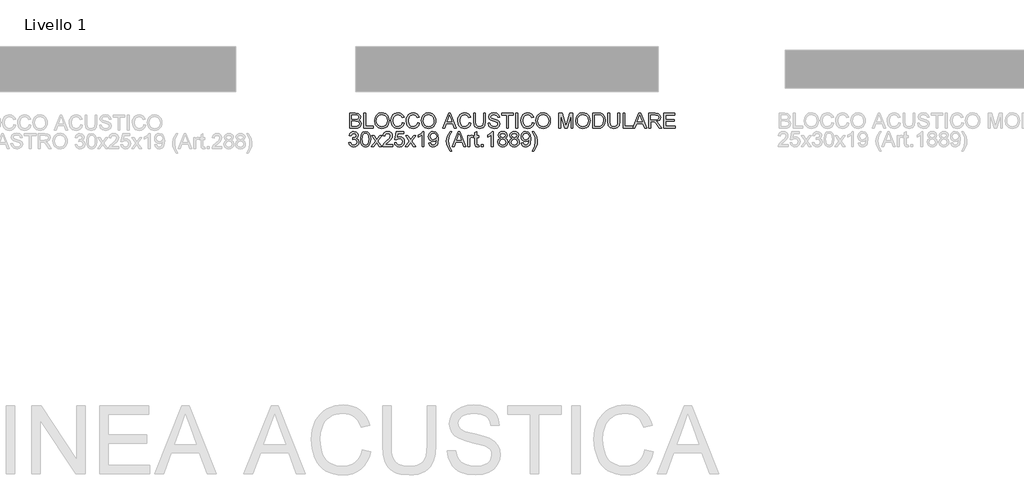
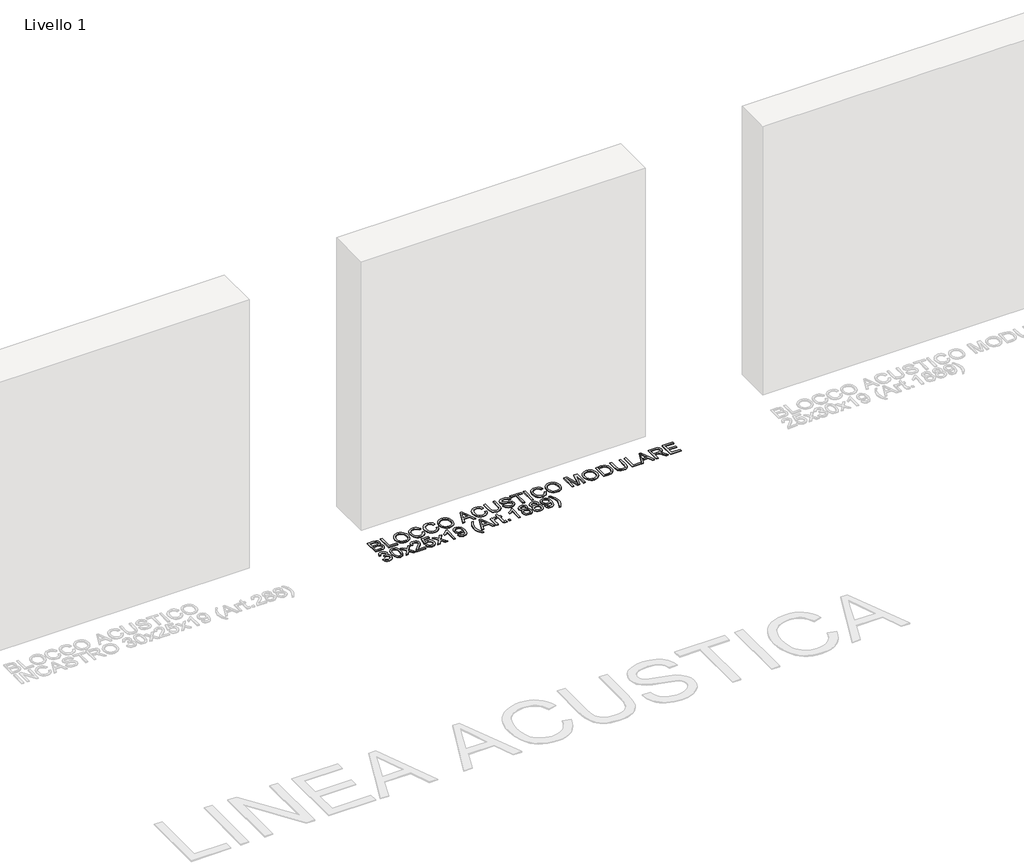
# One storey, part 3 of 4: 1 proxy.
"""IFC4 building model written with IfcOpenShell, lengths in millimetres."""

from ifc_helpers import new_model, si_unit, origin, origin_with_axes, place, context, project, spatial, polyline, outline, extrude, element, save

model = new_model("IFC4")

# Units and contexts
model_context = context("Model", 3, world=origin())
ifc_project = project(units=[si_unit("LENGTHUNIT", "METRE", prefix="MILLI")], contexts=[model_context])

# Site, building, storey
site = spatial("IfcSite", under=ifc_project)
building = spatial("IfcBuilding", under=site)
storey = spatial("IfcBuildingStorey", under=building, Name="Livello 1", Elevation=0.0)

# Proxy
placement = place(None, origin())
element("IfcBuildingElementProxy", 1, Name="100", ObjectType="100", at=placement, inside=storey, context=model_context, shape_type="SweptSolid", body=[
    extrude(outline(polyline([(-512.2779932, 327.9691658), (-512.2779932, 428.4254759), (-473.9446893, 428.4254759), (-455.1704448, 425.4701572), (-444.084934, 416.3834719), (-440.0750203, 403.5321276), (-443.4472719, 391.7966919), (-453.6376032, 382.9062104), (-441.2645054, 373.5374822), (-436.9357606, 357.9147602), (-439.8910793, 344.4134909), (-447.211931, 334.7995081), (-458.1380263, 329.6982111), (-474.2389949, 327.9691658), (-512.2779932, 327.9691658)]), holes=[polyline([(-499.7209544, 340.5262045), (-473.9692148, 340.5262045), (-464.6495376, 341.0167139), (-456.7646001, 343.7513034), (-451.5406758, 349.3308469), (-449.4927994, 357.7921328), (-451.8962951, 367.5532684), (-459.6831306, 373.3780667), (-475.1954881, 375.0580611), (-499.7209544, 375.0580611), (-499.7209544, 340.5262045)]), polyline([(-499.7209544, 387.6150999), (-476.7896434, 387.6150999), (-463.3987388, 388.6942204), (-455.3421231, 393.3417963), (-452.6320591, 401.5210393), (-455.1581821, 409.7125451), (-462.3931947, 414.5563247), (-478.5309515, 415.8684371), (-499.7209544, 415.8684371), (-499.7209544, 387.6150999)])]), origin_with_axes(), (0.0, 0.0, 1.0), 5.0),
    extrude(outline(polyline([(-419.6698323, 327.9691658), (-419.6698323, 428.4254759), (-407.1127935, 428.4254759), (-407.1127935, 340.5262045), (-356.8846384, 340.5262045), (-356.8846384, 327.9691658), (-419.6698323, 327.9691658)])), origin_with_axes(), (0.0, 0.0, 1.0), 5.0),
    extrude(outline(polyline([(-347.4668594, 376.8729457), (-344.1191332, 399.0868868), (-334.0759547, 415.8929626), (-318.7414069, 426.46957), (-299.5195727, 429.9951058), (-286.3432659, 428.3396368), (-274.5281225, 423.3732298), (-264.7179359, 415.4453728), (-257.5564998, 404.9055537), (-253.178704, 392.2626758), (-251.7194388, 378.0256426), (-253.2553461, 363.598537), (-257.8630681, 350.7778495), (-265.288153, 340.2196362), (-275.2761492, 332.5799534), (-286.990125, 327.9446403), (-299.5931491, 326.3995359), (-312.971791, 328.1071215), (-324.8543794, 333.2298783), (-334.6400405, 341.3048881), (-341.7279002, 351.8692327), (-347.4668594, 376.8729457)]), holes=[polyline([(-334.9098206, 376.7503183), (-332.399026, 361.0356258), (-324.8666421, 349.0610668), (-313.5450737, 341.4826977), (-299.6667255, 338.9565747), (-285.5860421, 341.5072232), (-274.2460796, 349.1591687), (-266.768878, 361.5016096), (-264.2764775, 378.1237444), (-268.5439087, 398.8477635), (-281.0151083, 412.5697619), (-299.4459963, 417.438067), (-312.9533969, 415.0928193), (-324.4374465, 408.0570761), (-332.2917271, 395.5398912), (-334.9098206, 376.7503183)])]), origin_with_axes(), (0.0, 0.0, 1.0), 5.0),
    extrude(outline(polyline([(-163.8201674, 363.6782448), (-151.2631286, 360.4408832), (-157.05727, 345.8083768), (-166.1500867, 335.1183392), (-178.0939888, 328.5792367), (-192.4413866, 326.3995359), (-207.0064479, 328.0488735), (-218.573271, 332.9968864), (-227.4392271, 341.0718962), (-233.9016875, 352.1022246), (-239.1624, 378.9576103), (-237.6755436, 393.6054451), (-233.2149744, 406.2544543), (-226.0136843, 416.5030336), (-216.3046654, 423.9495783), (-204.7899589, 428.4837239), (-192.1716065, 429.9951058), (-178.4036228, 428.0391998), (-167.0207407, 422.171482), (-158.3785795, 412.7537029), (-152.8327585, 400.1476132), (-165.3897972, 397.1555063), (-175.6904931, 412.5942874), (-192.6621158, 417.438067), (-212.3070143, 412.0669899), (-223.4047879, 397.6460156), (-226.6053612, 378.9821358), (-222.8161767, 357.3506744), (-211.0194274, 343.5305742), (-193.6921854, 338.9565747), (-183.2106142, 340.5139418), (-174.4764825, 345.1860431), (-167.8821977, 352.9238278), (-163.8201674, 363.6782448)])), origin_with_axes(), (0.0, 0.0, 1.0), 5.0),
    extrude(outline(polyline([(-63.3638572, 363.6782448), (-50.8068185, 360.4408832), (-56.6009599, 345.8083768), (-65.6937765, 335.1183392), (-77.6376786, 328.5792367), (-91.9850765, 326.3995359), (-106.5501378, 328.0488735), (-118.1169608, 332.9968864), (-126.9829169, 341.0718962), (-133.4453773, 352.1022246), (-138.7060898, 378.9576103), (-137.2192334, 393.6054451), (-132.7586643, 406.2544543), (-125.5573742, 416.5030336), (-115.8483552, 423.9495783), (-104.3336488, 428.4837239), (-91.7152963, 429.9951058), (-77.9473127, 428.0391998), (-66.5644306, 422.171482), (-57.9222694, 412.7537029), (-52.3764483, 400.1476132), (-64.9334871, 397.1555063), (-75.2341829, 412.5942874), (-92.2058057, 417.438067), (-111.8507042, 412.0669899), (-122.9484777, 397.6460156), (-126.1490511, 378.9821358), (-122.3598665, 357.3506744), (-110.5631172, 343.5305742), (-93.2358752, 338.9565747), (-82.7543041, 340.5139418), (-74.0201724, 345.1860431), (-67.4258876, 352.9238278), (-63.3638572, 363.6782448)])), origin_with_axes(), (0.0, 0.0, 1.0), 5.0),
    extrude(outline(polyline([(-38.2497797, 376.8729457), (-34.9020535, 399.0868868), (-24.8588751, 415.8929626), (-9.5243272, 426.46957), (9.697507, 429.9951058), (22.8738138, 428.3396368), (34.6889572, 423.3732298), (44.4991438, 415.4453728), (51.6605799, 404.9055537), (56.0383757, 392.2626758), (57.4976409, 378.0256426), (55.9617336, 363.598537), (51.3540116, 350.7778495), (43.9289267, 340.2196362), (33.9409305, 332.5799534), (22.2269546, 327.9446403), (9.6239306, 326.3995359), (-3.7547113, 328.1071215), (-15.6372997, 333.2298783), (-25.4229608, 341.3048881), (-32.5108206, 351.8692327), (-38.2497797, 376.8729457)]), holes=[polyline([(-25.6927409, 376.7503183), (-23.1819463, 361.0356258), (-15.6495625, 349.0610668), (-4.3279941, 341.4826977), (9.5503542, 338.9565747), (23.6310376, 341.5072232), (34.9710001, 349.1591687), (42.4482016, 361.5016096), (44.9406022, 378.1237444), (40.673171, 398.8477635), (28.2019714, 412.5697619), (9.7710834, 417.438067), (-3.7363172, 415.0928193), (-15.2203668, 408.0570761), (-23.0746474, 395.5398912), (-25.6927409, 376.7503183)])]), origin_with_axes(), (0.0, 0.0, 1.0), 5.0),
    extrude(outline(polyline([(102.3056679, 327.9691658), (142.4048054, 428.4254759), (153.0979087, 428.4254759), (193.1970462, 327.9691658), (179.9287689, 327.9691658), (168.4263252, 359.3617627), (127.0518635, 359.3617627), (115.5739452, 327.9691658), (102.3056679, 327.9691658)]), holes=[polyline([(131.6626511, 371.9188015), (163.840063, 371.9188015), (154.7901659, 396.6159461), (147.7513571, 415.8684371), (141.4973632, 398.7741871), (131.6626511, 371.9188015)])]), origin_with_axes(), (0.0, 0.0, 1.0), 5.0),
    extrude(outline(polyline([(277.2458194, 363.6782448), (289.8028581, 360.4408832), (284.0087167, 345.8083768), (274.9159001, 335.1183392), (262.971998, 328.5792367), (248.6246001, 326.3995359), (234.0595388, 328.0488735), (222.4927158, 332.9968864), (213.6267597, 341.0718962), (207.1642993, 352.1022246), (201.9035868, 378.9576103), (203.3904432, 393.6054451), (207.8510123, 406.2544543), (215.0523024, 416.5030336), (224.7613214, 423.9495783), (236.2760278, 428.4837239), (248.8943803, 429.9951058), (262.6623639, 428.0391998), (274.045246, 422.171482), (282.6874072, 412.7537029), (288.2332283, 400.1476132), (275.6761895, 397.1555063), (265.3754937, 412.5942874), (248.4038709, 417.438067), (228.7589724, 412.0669899), (217.6611989, 397.6460156), (214.4606255, 378.9821358), (218.2498101, 357.3506744), (230.0465594, 343.5305742), (247.3738014, 338.9565747), (257.8553725, 340.5139418), (266.5895042, 345.1860431), (273.183789, 352.9238278), (277.2458194, 363.6782448)])), origin_with_axes(), (0.0, 0.0, 1.0), 5.0),
    extrude(outline(polyline([(372.99324, 428.4254759), (385.5502788, 428.4254759), (385.5502788, 370.4717989), (382.1412389, 346.4491047), (369.8539803, 331.9790795), (359.5900726, 327.7944218), (346.5547873, 326.3995359), (323.6112135, 331.2555783), (315.9715307, 337.1999382), (310.8824965, 345.3209332), (307.0687864, 370.4717989), (307.0687864, 428.4254759), (319.6258252, 428.4254759), (319.6258252, 370.9132573), (322.1028973, 351.7711308), (330.6132341, 342.2920381), (345.3775649, 338.9565747), (358.1492015, 340.6059123), (366.6411442, 345.5539251), (371.405216, 355.1924334), (372.99324, 370.9132573), (372.99324, 428.4254759)])), origin_with_axes(), (0.0, 0.0, 1.0), 5.0),
    extrude(outline(polyline([(402.8162071, 362.5010224), (415.3732458, 362.5010224), (419.4199478, 349.9317209), (429.3037107, 341.9854698), (444.362347, 338.9565747), (457.4834715, 341.2497058), (465.9570202, 347.5527506), (468.7406606, 355.9772483), (466.655996, 363.8131348), (458.1211337, 369.5153057), (439.8373985, 374.3100344), (420.1557118, 380.5027147), (409.4748712, 389.8469173), (405.9554668, 402.3303797), (410.308737, 416.5428875), (423.0251913, 426.5738032), (441.6400203, 429.9951058), (461.505648, 426.4143877), (474.7493998, 415.8929626), (479.7280695, 400.1721387), (467.1710307, 400.1721387), (464.8656369, 407.6646686), (460.0586455, 413.072534), (442.1305296, 417.438067), (424.1533628, 413.1215849), (418.5125055, 402.6982617), (422.5101565, 393.9917212), (443.0134464, 386.9774378), (465.2335189, 380.6743929), (477.3858875, 370.4963244), (481.2976994, 356.2960794), (476.7972763, 341.2742313), (463.8478301, 330.3113478), (444.8528564, 326.3995359), (422.4243174, 330.6179161), (408.2363351, 343.3221077), (402.8162071, 362.5010224)])), origin_with_axes(), (0.0, 0.0, 1.0), 5.0),
    extrude(outline(polyline([(525.2473351, 327.9691658), (525.2473351, 415.8684371), (492.2851083, 415.8684371), (492.2851083, 428.4254759), (570.7666006, 428.4254759), (570.7666006, 415.8684371), (537.8043738, 415.8684371), (537.8043738, 327.9691658), (525.2473351, 327.9691658)])), origin_with_axes(), (0.0, 0.0, 1.0), 5.0),
    extrude(outline(polyline([(586.4628991, 327.9691658), (586.4628991, 428.4254759), (599.0199378, 428.4254759), (599.0199378, 327.9691658), (586.4628991, 327.9691658)])), origin_with_axes(), (0.0, 0.0, 1.0), 5.0),
    extrude(outline(polyline([(694.7673584, 363.6782448), (707.3243972, 360.4408832), (701.5302558, 345.8083768), (692.4374391, 335.1183392), (680.493537, 328.5792367), (666.1461392, 326.3995359), (651.5810779, 328.0488735), (640.0142548, 332.9968864), (631.1482987, 341.0718962), (624.6858383, 352.1022246), (619.4251258, 378.9576103), (620.9119822, 393.6054451), (625.3725514, 406.2544543), (632.5738415, 416.5030336), (642.2828605, 423.9495783), (653.7975669, 428.4837239), (666.4159193, 429.9951058), (680.183903, 428.0391998), (691.5667851, 422.171482), (700.2089463, 412.7537029), (705.7547674, 400.1476132), (693.1977286, 397.1555063), (682.8970327, 412.5942874), (665.92541, 417.438067), (646.2805115, 412.0669899), (635.1827379, 397.6460156), (631.9821646, 378.9821358), (635.7713491, 357.3506744), (647.5680984, 343.5305742), (664.8953404, 338.9565747), (675.3769116, 340.5139418), (684.1110433, 345.1860431), (690.7053281, 352.9238278), (694.7673584, 363.6782448)])), origin_with_axes(), (0.0, 0.0, 1.0), 5.0),
    extrude(outline(polyline([(719.881436, 376.8729457), (723.2291621, 399.0868868), (733.2723406, 415.8929626), (748.6068884, 426.46957), (767.8287227, 429.9951058), (781.0050295, 428.3396368), (792.8201729, 423.3732298), (802.6303594, 415.4453728), (809.7917956, 404.9055537), (814.1695913, 392.2626758), (815.6288566, 378.0256426), (814.0929492, 363.598537), (809.4852273, 350.7778495), (802.0601423, 340.2196362), (792.0721462, 332.5799534), (780.3581703, 327.9446403), (767.7551463, 326.3995359), (754.3765044, 328.1071215), (742.4939159, 333.2298783), (732.7082549, 341.3048881), (725.6203951, 351.8692327), (719.881436, 376.8729457)]), holes=[polyline([(732.4384747, 376.7503183), (734.9492694, 361.0356258), (742.4816532, 349.0610668), (753.8032216, 341.4826977), (767.6815699, 338.9565747), (781.7622532, 341.5072232), (793.1022157, 349.1591687), (800.5794173, 361.5016096), (803.0718178, 378.1237444), (798.8043867, 398.8477635), (786.333187, 412.5697619), (767.9022991, 417.438067), (754.3948985, 415.0928193), (742.9108489, 408.0570761), (735.0565683, 395.5398912), (732.4384747, 376.7503183)])]), origin_with_axes(), (0.0, 0.0, 1.0), 5.0),
    extrude(outline(polyline([(872.135531, 327.9691658), (872.135531, 428.4254759), (893.7424669, 428.4254759), (914.2948077, 357.6204546), (918.4396115, 342.8315984), (922.9277718, 358.8467279), (943.1367561, 428.4254759), (964.743692, 428.4254759), (964.743692, 327.9691658), (952.1866532, 327.9691658), (952.1866532, 415.8684371), (926.9499483, 327.9691658), (909.9292747, 327.9691658), (884.6925698, 415.8684371), (884.6925698, 327.9691658), (872.135531, 327.9691658)])), origin_with_axes(), (0.0, 0.0, 1.0), 5.0),
    extrude(outline(polyline([(982.0096203, 376.8729457), (985.3573464, 399.0868868), (995.4005249, 415.8929626), (1010.7350727, 426.46957), (1029.956907, 429.9951058), (1043.1332138, 428.3396368), (1054.9483572, 423.3732298), (1064.7585437, 415.4453728), (1071.9199799, 404.9055537), (1076.2977756, 392.2626758), (1077.7570409, 378.0256426), (1076.2211335, 363.598537), (1071.6134116, 350.7778495), (1064.1883266, 340.2196362), (1054.2003305, 332.5799534), (1042.4863546, 327.9446403), (1029.8833306, 326.3995359), (1016.5046887, 328.1071215), (1004.6221002, 333.2298783), (994.8364392, 341.3048881), (987.7485794, 351.8692327), (982.0096203, 376.8729457)]), holes=[polyline([(994.566659, 376.7503183), (997.0774537, 361.0356258), (1004.6098375, 349.0610668), (1015.9314059, 341.4826977), (1029.8097542, 338.9565747), (1043.8904375, 341.5072232), (1055.2304, 349.1591687), (1062.7076016, 361.5016096), (1065.2000021, 378.1237444), (1060.932571, 398.8477635), (1048.4613713, 412.5697619), (1030.0304834, 417.438067), (1016.5230828, 415.0928193), (1005.0390332, 408.0570761), (997.1847526, 395.5398912), (994.566659, 376.7503183)])]), origin_with_axes(), (0.0, 0.0, 1.0), 5.0),
    extrude(outline(polyline([(1095.0229692, 327.9691658), (1095.0229692, 428.4254759), (1129.6774531, 428.4254759), (1147.605569, 426.9784734), (1162.3698998, 419.7925118), (1174.2647509, 402.6246853), (1178.213351, 378.7368811), (1175.5400752, 358.4665832), (1168.6729446, 343.8371425), (1159.5004202, 334.7259317), (1147.4952044, 329.6859484), (1131.3451848, 327.9691658), (1095.0229692, 327.9691658)]), holes=[polyline([(1107.580008, 340.5262045), (1129.8000805, 340.5262045), (1145.9623628, 342.341089), (1155.28204, 347.4669115), (1162.9217228, 359.9381111), (1165.6563123, 378.9330848), (1164.3166087, 392.618295), (1160.2974979, 402.7227872), (1147.2622125, 413.8573489), (1129.4567239, 415.8684371), (1107.580008, 415.8684371), (1107.580008, 340.5262045)])]), origin_with_axes(), (0.0, 0.0, 1.0), 5.0),
    extrude(outline(polyline([(1261.4037329, 428.4254759), (1273.9607716, 428.4254759), (1273.9607716, 370.4717989), (1270.5517318, 346.4491047), (1258.2644732, 331.9790795), (1248.0005655, 327.7944218), (1234.9652801, 326.3995359), (1212.0217064, 331.2555783), (1204.3820236, 337.1999382), (1199.2929893, 345.3209332), (1195.4792793, 370.4717989), (1195.4792793, 428.4254759), (1208.0363181, 428.4254759), (1208.0363181, 370.9132573), (1210.5133902, 351.7711308), (1219.023727, 342.2920381), (1233.7880578, 338.9565747), (1246.5596944, 340.6059123), (1255.0516371, 345.5539251), (1259.8157089, 355.1924334), (1261.4037329, 370.9132573), (1261.4037329, 428.4254759)])), origin_with_axes(), (0.0, 0.0, 1.0), 5.0),
    extrude(outline(polyline([(1295.9355895, 327.9691658), (1295.9355895, 428.4254759), (1308.4926283, 428.4254759), (1308.4926283, 340.5262045), (1358.7207833, 340.5262045), (1358.7207833, 327.9691658), (1295.9355895, 327.9691658)])), origin_with_axes(), (0.0, 0.0, 1.0), 5.0),
    extrude(outline(polyline([(1361.1488045, 327.9691658), (1401.247942, 428.4254759), (1411.9410453, 428.4254759), (1452.0401828, 327.9691658), (1438.7719055, 327.9691658), (1427.2694618, 359.3617627), (1385.895, 359.3617627), (1374.4170818, 327.9691658), (1361.1488045, 327.9691658)]), holes=[polyline([(1390.5057877, 371.9188015), (1422.6831996, 371.9188015), (1413.6333025, 396.6159461), (1406.5944936, 415.8684371), (1400.3404997, 398.7741871), (1390.5057877, 371.9188015)])]), origin_with_axes(), (0.0, 0.0, 1.0), 5.0),
    extrude(outline(polyline([(1465.4556129, 327.9691658), (1465.4556129, 428.4254759), (1508.743061, 428.4254759), (1528.8416806, 425.7154119), (1539.8290896, 416.1259545), (1543.9371052, 400.9324281), (1542.2356509, 391.0364025), (1537.1312883, 382.832634), (1528.4707329, 376.8177634), (1516.1007009, 373.4884313), (1523.2376116, 368.1173542), (1533.4156801, 355.1924334), (1550.1665736, 327.9691658), (1535.5739211, 327.9691658), (1522.5018476, 348.7912867), (1513.059543, 362.5745988), (1506.4254044, 369.0861101), (1500.4534533, 371.4773431), (1493.1693898, 371.9188015), (1478.0126516, 371.9188015), (1478.0126516, 327.9691658), (1465.4556129, 327.9691658)]), holes=[polyline([(1478.0126516, 384.4758402), (1506.1188361, 384.4758402), (1520.4539711, 386.2539365), (1528.596426, 391.9438447), (1531.3800664, 400.4664443), (1526.0703029, 411.5274296), (1509.2826212, 415.8684371), (1478.0126516, 415.8684371), (1478.0126516, 384.4758402)])]), origin_with_axes(), (0.0, 0.0, 1.0), 5.0),
    extrude(outline(polyline([(1565.911923, 327.9691658), (1565.911923, 428.4254759), (1638.1148959, 428.4254759), (1638.1148959, 415.8684371), (1578.4689618, 415.8684371), (1578.4689618, 386.0454701), (1634.9756362, 386.0454701), (1634.9756362, 373.4884313), (1578.4689618, 373.4884313), (1578.4689618, 340.5262045), (1639.6845258, 340.5262045), (1639.6845258, 327.9691658), (1565.911923, 327.9691658)])), origin_with_axes(), (0.0, 0.0, 1.0), 5.0),
    extrude(outline(polyline([(-516.9868827, 232.6780553), (-504.429844, 234.2476851), (-497.5013997, 221.0284588), (-484.5396908, 216.9817568), (-475.9312521, 218.3735771), (-469.2848507, 222.5490377), (-463.619468, 236.3323498), (-469.2357998, 249.3185842), (-483.5096212, 254.4566694), (-492.3142636, 253.0832433), (-490.916312, 265.6402821), (-488.9052238, 265.4931293), (-474.6559278, 269.0983728), (-469.9102501, 273.6723723), (-468.3283575, 280.1838836), (-472.9146197, 290.0063329), (-484.7358945, 293.8936193), (-496.7043221, 289.9695447), (-502.8602141, 278.1973208), (-515.4172529, 279.7669507), (-511.7200389, 291.0425338), (-505.1410825, 299.4609002), (-496.1402364, 304.7032186), (-485.1773529, 306.4506581), (-470.0328774, 303.00483), (-459.437876, 293.587051), (-455.7713188, 280.9196476), (-459.253935, 269.3436275), (-469.5546308, 261.0294944), (-455.8694206, 252.4455812), (-451.0624292, 236.1116206), (-453.4659249, 223.8734129), (-460.676412, 213.6462934), (-471.5595877, 206.7301119), (-484.9811492, 204.4247181), (-497.121255, 206.3928867), (-507.0050179, 212.2973928), (-513.8782799, 221.3288957), (-516.9868827, 232.6780553)])), origin_with_axes(), (0.0, 0.0, 1.0), 5.0),
    extrude(outline(polyline([(-440.0750203, 255.4131626), (-436.3839376, 284.3164247), (-425.4210541, 300.9814791), (-407.1127935, 306.4506581), (-392.4465646, 303.2132965), (-382.317547, 293.8813566), (-376.4314351, 279.018924), (-374.1505668, 255.4131626), (-377.8048612, 226.6325278), (-388.7309565, 209.9306853), (-396.9623161, 205.8012099), (-407.1127935, 204.4247181), (-420.1603416, 206.815951), (-430.06863, 213.9896499), (-437.5734227, 230.9796668), (-440.0750203, 255.4131626)]), holes=[polyline([(-427.5179815, 255.4376881), (-426.0464535, 235.6854906), (-421.6318696, 224.2535576), (-415.0590446, 218.799707), (-407.1127935, 216.9817568), (-399.1665424, 218.8058384), (-392.5937174, 224.2780831), (-388.1791335, 235.7161474), (-386.7076055, 255.4376881), (-388.1300826, 274.7453614), (-392.3975137, 286.2661993), (-398.958076, 291.9867643), (-407.2599463, 293.8936193), (-415.1203583, 292.2136249), (-421.4356659, 287.1736415), (-425.9974026, 274.9354338), (-427.5179815, 255.4376881)])]), origin_with_axes(), (0.0, 0.0, 1.0), 5.0),
    extrude(outline(polyline([(-367.8720474, 205.9943479), (-341.0411872, 243.076853), (-366.3024175, 279.7669507), (-351.1947303, 279.7669507), (-339.0055735, 262.1086149), (-333.3156653, 253.7699564), (-328.3860466, 260.588036), (-314.5046326, 279.7669507), (-299.3969453, 279.7669507), (-325.9334999, 243.076853), (-300.377964, 205.9943479), (-315.4856513, 205.9943479), (-330.8631187, 228.2879968), (-333.6835473, 232.3592242), (-352.7643601, 205.9943479), (-367.8720474, 205.9943479)])), origin_with_axes(), (0.0, 0.0, 1.0), 5.0),
    extrude(outline(polyline([(-228.1749911, 218.5513867), (-228.1749911, 205.9943479), (-294.0994446, 205.9943479), (-292.750544, 214.6518375), (-285.1231239, 227.9814285), (-269.4023, 242.5372928), (-247.7217877, 263.4575156), (-242.3016597, 277.682286), (-247.4152194, 289.1969925), (-260.7693358, 293.8936193), (-274.687538, 289.3073571), (-279.972776, 276.627691), (-292.5298148, 278.1973208), (-289.4855912, 290.343558), (-282.9035692, 299.2156455), (-273.1271052, 304.6419049), (-260.4995557, 306.4506581), (-247.7800357, 304.4395698), (-238.0219658, 298.4063051), (-231.8139571, 289.3931962), (-229.7446209, 278.4425755), (-231.9764384, 266.5354616), (-239.3953919, 254.2236775), (-257.3848215, 237.0190628), (-271.8303212, 224.9402707), (-277.4957039, 218.5513867), (-228.1749911, 218.5513867)])), origin_with_axes(), (0.0, 0.0, 1.0), 5.0),
    extrude(outline(polyline([(-215.6179523, 232.6780553), (-203.0609135, 234.2476851), (-196.7333432, 221.3105016), (-183.6122187, 216.9817568), (-174.6113726, 218.4870073), (-167.8668693, 223.0027588), (-163.6546205, 230.0078452), (-162.2505375, 238.9811001), (-167.5112501, 253.8925837), (-174.1177976, 257.9944679), (-183.416015, 259.3617627), (-194.4402121, 257.1789962), (-201.4912837, 251.5136135), (-214.0483225, 253.0832433), (-203.0609135, 304.8810282), (-154.4023883, 304.8810282), (-154.4023883, 292.3239895), (-192.9073705, 292.3239895), (-198.2784476, 264.6592634), (-189.3082583, 270.1039169), (-179.9088733, 271.9188015), (-168.1765033, 269.6685899), (-158.4368275, 262.9179553), (-151.879331, 252.6295222), (-149.6934988, 239.7659151), (-151.6616674, 227.2088763), (-157.5661735, 216.466722), (-168.8724134, 207.4352191), (-183.6612697, 204.4247181), (-195.9945135, 206.3591642), (-205.8200285, 212.1625027), (-212.5553347, 221.1602832), (-215.6179523, 232.6780553)])), origin_with_axes(), (0.0, 0.0, 1.0), 5.0),
    extrude(outline(polyline([(-143.4149794, 205.9943479), (-116.5841192, 243.076853), (-141.8453495, 279.7669507), (-126.7376623, 279.7669507), (-114.5485055, 262.1086149), (-108.8585973, 253.7699564), (-103.9289786, 260.588036), (-90.0475646, 279.7669507), (-74.9398773, 279.7669507), (-101.4764319, 243.076853), (-75.920896, 205.9943479), (-91.0285833, 205.9943479), (-106.4060507, 228.2879968), (-109.2264793, 232.3592242), (-128.3072921, 205.9943479), (-143.4149794, 205.9943479)])), origin_with_axes(), (0.0, 0.0, 1.0), 5.0),
    extrude(outline(polyline([(-20.9838514, 205.9943479), (-33.5408902, 205.9943479), (-33.5408902, 284.2796365), (-45.4357413, 275.8060879), (-58.6549677, 269.4662548), (-58.6549677, 281.3365805), (-40.2486052, 293.0842789), (-29.0772553, 306.4506581), (-20.9838514, 306.4506581), (-20.9838514, 205.9943479)])), origin_with_axes(), (0.0, 0.0, 1.0), 5.0),
    extrude(outline(polyline([(10.4087455, 231.1084255), (22.9657843, 232.6780553), (28.6066416, 220.697365), (39.2997449, 216.9817568), (49.4655507, 219.3729898), (56.3572067, 225.7618738), (60.4652223, 236.6757063), (62.2801069, 251.2438333), (62.2065305, 253.69638), (52.163352, 244.180499), (38.3923026, 240.5262045), (26.9419755, 242.758022), (17.4107662, 249.4534743), (10.9820283, 259.7970897), (8.8391157, 272.9733965), (11.0862615, 286.5850303), (17.8276991, 297.2536082), (27.953651, 304.1513956), (40.3543399, 306.4506581), (58.2456676, 301.2022083), (70.5574517, 286.2416738), (74.7635692, 258.1354894), (70.5697145, 227.638072), (65.3549872, 217.6470101), (58.0985148, 210.3598809), (49.1129971, 205.9085088), (38.7111337, 204.4247181), (27.9751108, 206.1752232), (19.4095917, 211.4267387), (13.4192465, 219.8481707), (10.4087455, 231.1084255)]), holes=[polyline([(62.2065305, 273.2677021), (60.8514984, 281.7780389), (56.7864024, 288.3263384), (50.4772262, 292.5017991), (42.3899537, 293.8936193), (34.0022442, 292.3945002), (27.2822664, 287.8971428), (22.8676824, 281.0146838), (21.3961545, 272.3602598), (22.7879747, 264.6010154), (26.9634353, 258.4420577), (33.5178662, 254.4229469), (42.0465971, 253.0832433), (56.528885, 258.4420577), (60.7871191, 264.827876), (62.2065305, 273.2677021)])]), origin_with_axes(), (0.0, 0.0, 1.0), 5.0),
    extrude(outline(polyline([(153.2450615, 177.7410107), (135.4150475, 207.1960958), (129.9519999, 224.3761849), (128.130984, 242.1694108), (133.5756375, 272.7036164), (153.2450615, 306.4506581), (162.6628406, 306.4506581), (150.9151422, 286.5605049), (143.8518079, 267.2834883), (140.6880228, 242.0958344), (146.1817272, 209.9061598), (162.6628406, 177.7410107), (153.2450615, 177.7410107)])), origin_with_axes(), (0.0, 0.0, 1.0), 5.0),
    extrude(outline(polyline([(165.0908618, 205.9943479), (205.1899992, 306.4506581), (215.8831026, 306.4506581), (255.98224, 205.9943479), (242.7139628, 205.9943479), (231.211519, 237.3869448), (189.8370573, 237.3869448), (178.3591391, 205.9943479), (165.0908618, 205.9943479)]), holes=[polyline([(194.447845, 249.9439836), (226.6252568, 249.9439836), (217.5753598, 274.6411282), (210.5365509, 293.8936193), (204.282557, 276.7993693), (194.447845, 249.9439836)])]), origin_with_axes(), (0.0, 0.0, 1.0), 5.0),
    extrude(outline(polyline([(267.8280403, 205.9943479), (267.8280403, 279.7669507), (278.8154492, 279.7669507), (278.8154492, 268.8531182), (286.6145475, 278.9085594), (294.4626967, 281.3365805), (307.0687864, 277.4615568), (302.8749317, 266.2043678), (294.0457638, 268.7795418), (286.9456413, 266.3024697), (282.4206928, 259.4353391), (280.3850791, 244.7691102), (280.3850791, 205.9943479), (267.8280403, 205.9943479)])), origin_with_axes(), (0.0, 0.0, 1.0), 5.0),
    extrude(outline(polyline([(341.6006431, 216.466722), (343.1702729, 205.6264659), (333.7770193, 204.4247181), (323.2555942, 206.5093827), (318.0071444, 211.9785617), (316.4865655, 226.2278577), (316.4865655, 267.2099119), (307.0687864, 267.2099119), (307.0687864, 279.7669507), (316.4865655, 279.7669507), (316.4865655, 297.6950666), (329.0436043, 305.0772319), (329.0436043, 279.7669507), (341.6006431, 279.7669507), (341.6006431, 267.2099119), (329.0436043, 267.2099119), (329.0436043, 226.5957396), (329.7057919, 220.1210165), (331.8517702, 217.8278854), (336.1314641, 216.9817568), (341.6006431, 216.466722)])), origin_with_axes(), (0.0, 0.0, 1.0), 5.0),
    extrude(outline(polyline([(357.2969415, 205.9943479), (357.2969415, 218.5513867), (369.8539803, 218.5513867), (369.8539803, 205.9943479), (357.2969415, 205.9943479)])), origin_with_axes(), (0.0, 0.0, 1.0), 5.0),
    extrude(outline(polyline([(437.3480637, 205.9943479), (424.7910249, 205.9943479), (424.7910249, 284.2796365), (412.8961737, 275.8060879), (399.6769474, 269.4662548), (399.6769474, 281.3365805), (418.0833099, 293.0842789), (429.2546598, 306.4506581), (437.3480637, 306.4506581), (437.3480637, 205.9943479)])), origin_with_axes(), (0.0, 0.0, 1.0), 5.0),
    extrude(outline(polyline([(485.4670286, 261.3238), (474.0258986, 269.1228983), (470.3102904, 281.2630041), (472.3336414, 291.079322), (478.4036943, 299.19112), (487.8398675, 304.6357736), (499.9615793, 306.4506581), (512.1568674, 304.592854), (521.7156679, 299.0194418), (527.8960854, 290.7788851), (529.9562246, 280.9196476), (526.2896674, 269.0861101), (515.1673684, 261.3238), (528.5214848, 251.4768253), (533.0954843, 235.2287038), (530.8268786, 223.223488), (524.0210617, 213.3029369), (513.5118994, 206.6442728), (500.1332575, 204.4247181), (486.7546156, 206.6534698), (476.2454533, 213.3397251), (469.4396364, 223.3553124), (467.1710307, 235.5720603), (471.9289712, 252.2003265), (485.4670286, 261.3238)]), holes=[polyline([(482.8673292, 280.8951221), (487.3187014, 271.0358847), (500.2804103, 267.2099119), (512.9846019, 271.0113592), (517.3991858, 280.3310364), (512.8374491, 289.9818074), (500.1332575, 293.8936193), (487.3922777, 290.0676465), (482.8673292, 280.8951221)]), polyline([(479.7280695, 236.0135187), (481.8249969, 226.5589514), (489.2439505, 219.4833544), (500.2313594, 216.9817568), (508.7784844, 218.296935), (515.1918939, 222.2424694), (520.5384455, 235.6211113), (515.0202156, 249.2572705), (508.4596533, 253.3039725), (499.8144265, 254.6528731), (491.3868631, 253.3223666), (485.037833, 249.3308469), (479.7280695, 236.0135187)])]), origin_with_axes(), (0.0, 0.0, 1.0), 5.0),
    extrude(outline(polyline([(562.3788911, 261.3238), (550.937761, 269.1228983), (547.2221529, 281.2630041), (549.2455039, 291.079322), (555.3155568, 299.19112), (564.75173, 304.6357736), (576.8734417, 306.4506581), (589.0687298, 304.592854), (598.6275304, 299.0194418), (604.8079479, 290.7788851), (606.868087, 280.9196476), (603.2015298, 269.0861101), (592.0792308, 261.3238), (605.4333473, 251.4768253), (610.0073467, 235.2287038), (607.7387411, 223.223488), (600.9329242, 213.3029369), (590.4237619, 206.6442728), (577.04512, 204.4247181), (563.6664781, 206.6534698), (553.1573158, 213.3397251), (546.3514988, 223.3553124), (544.0828932, 235.5720603), (548.8408337, 252.2003265), (562.3788911, 261.3238)]), holes=[polyline([(559.7791917, 280.8951221), (564.2305638, 271.0358847), (577.1922728, 267.2099119), (589.8964643, 271.0113592), (594.3110483, 280.3310364), (589.7493115, 289.9818074), (577.04512, 293.8936193), (564.3041402, 290.0676465), (559.7791917, 280.8951221)]), polyline([(556.639932, 236.0135187), (558.7368593, 226.5589514), (566.1558129, 219.4833544), (577.1432218, 216.9817568), (585.6903469, 218.296935), (592.1037563, 222.2424694), (597.450308, 235.6211113), (591.932078, 249.2572705), (585.3715158, 253.3039725), (576.7262889, 254.6528731), (568.2987255, 253.3223666), (561.9496954, 249.3308469), (556.639932, 236.0135187)])]), origin_with_axes(), (0.0, 0.0, 1.0), 5.0),
    extrude(outline(polyline([(622.5643855, 231.1084255), (635.1214243, 232.6780553), (640.7622815, 220.697365), (651.4553849, 216.9817568), (661.6211907, 219.3729898), (668.5128467, 225.7618738), (672.6208623, 236.6757063), (674.4357468, 251.2438333), (674.3621704, 253.69638), (664.318992, 244.180499), (650.5479426, 240.5262045), (639.0976155, 242.758022), (629.5664062, 249.4534743), (623.1376683, 259.7970897), (620.9947557, 272.9733965), (623.2419015, 286.5850303), (629.9833391, 297.2536082), (640.109291, 304.1513956), (652.5099799, 306.4506581), (670.4013076, 301.2022083), (682.7130917, 286.2416738), (686.9192092, 258.1354894), (682.7253545, 227.638072), (677.5106272, 217.6470101), (670.2541548, 210.3598809), (661.2686371, 205.9085088), (650.8667737, 204.4247181), (640.1307508, 206.1752232), (631.5652317, 211.4267387), (625.5748865, 219.8481707), (622.5643855, 231.1084255)]), holes=[polyline([(674.3621704, 273.2677021), (673.0071384, 281.7780389), (668.9420424, 288.3263384), (662.6328662, 292.5017991), (654.5455936, 293.8936193), (646.1578841, 292.3945002), (639.4379064, 287.8971428), (635.0233224, 281.0146838), (633.5517944, 272.3602598), (634.9436146, 264.6010154), (639.1190753, 258.4420577), (645.6735062, 254.4229469), (654.2022371, 253.0832433), (668.684525, 258.4420577), (672.9427591, 264.827876), (674.3621704, 273.2677021)])]), origin_with_axes(), (0.0, 0.0, 1.0), 5.0),
    extrude(outline(polyline([(704.1851375, 177.7410107), (694.7673584, 177.7410107), (711.2484718, 209.9061598), (716.7421763, 242.0958344), (713.5783911, 267.0627591), (706.5886332, 286.3643011), (694.7673584, 306.4506581), (704.1851375, 306.4506581), (723.8545615, 272.7036164), (729.299215, 242.1694108), (727.4690021, 224.3761849), (721.9783633, 207.1960958), (704.1851375, 177.7410107)])), origin_with_axes(), (0.0, 0.0, 1.0), 5.0),
])

save(model, "model.ifc")
